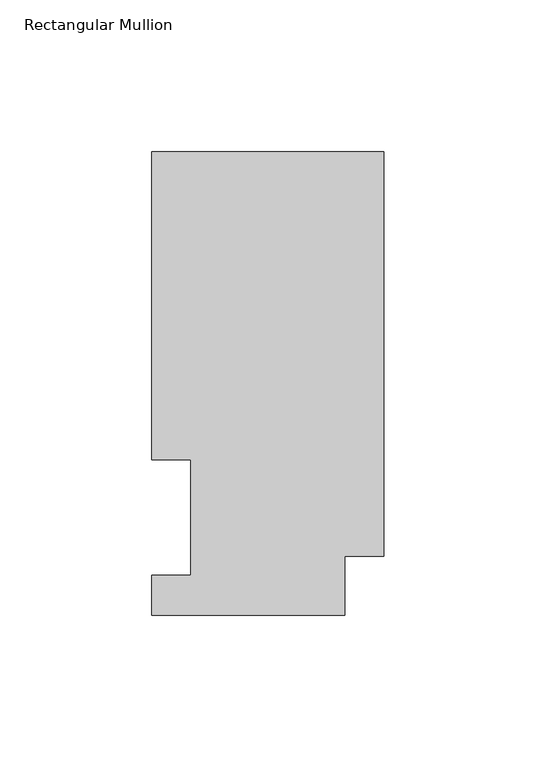
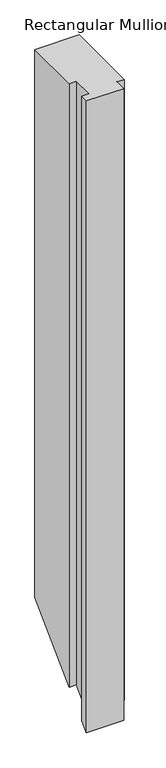
"""IFC4 building model written with IfcOpenShell, lengths in millimetres: member geometry, Rectangular Mullion."""

import ifcopenshell
import ifcopenshell.guid

model = None  # the IFC model being written
_history = None  # IfcOwnerHistory: only IFC2X3 demands one
_inside = {}  # id of a spatial element -> (the spatial element, [elements in it])
_under = {}  # id of a project, library or spatial element -> (it, [spatial elements below it])
_declared = {}  # id of a project -> (the project, [libraries it declares])
_typed = {}  # id of a type object -> (the type object, [elements of that type])
_made_of = {}  # id of a material, layer set ... -> (it, [elements and type objects made of it])


def new_model(schema):
    """Start an empty IFC model of exactly this schema.

    Asked for "IFC4X3", IfcOpenShell would pick the latest addendum, in which some entities
    have other attributes; the version numbers below select the first issue.
    IFC2X3 requires an IfcOwnerHistory on every rooted entity: one is made here for all.
    """
    global model, _history
    if schema == "IFC4X3":
        model = ifcopenshell.file(schema_version=(4, 3, 0, 0))
    else:
        model = ifcopenshell.file(schema=schema)
    _inside.clear()
    _under.clear()
    _declared.clear()
    _typed.clear()
    _made_of.clear()
    _history = None
    if model.schema == "IFC2X3":
        org = make("IfcOrganization", Name="unknown")
        user = make(
            "IfcPersonAndOrganization",
            ThePerson=make("IfcPerson", FamilyName="unknown"),
            TheOrganization=org,
        )
        app = make(
            "IfcApplication",
            ApplicationDeveloper=org,
            Version="unknown",
            ApplicationFullName="unknown",
            ApplicationIdentifier="unknown",
        )
        _history = make(
            "IfcOwnerHistory",
            OwningUser=user,
            OwningApplication=app,
            ChangeAction="ADDED",
            CreationDate=0,
        )
    return model


def make(cls, **values):
    """One entity of the class cls with the attributes given. An attribute that is None is left unset."""
    return model.create_entity(
        cls, **{name: value for name, value in values.items() if value is not None}
    )


def rooted(cls, **values):
    """An entity with a GlobalId (a new one), such as an element, a storey or a relation."""
    return make(cls, GlobalId=ifcopenshell.guid.new(), OwnerHistory=_history, **values)


def si_unit(unit_type, name, prefix=None):
    """IfcSIUnit, for example si_unit("LENGTHUNIT", "METRE", prefix="MILLI")."""
    return make("IfcSIUnit", UnitType=unit_type, Prefix=prefix, Name=name)


def assignment(units):
    """IfcUnitAssignment: the units of a project."""
    return None if units is None else make("IfcUnitAssignment", Units=units)


def point(xyz):
    """IfcCartesianPoint."""
    return None if xyz is None else make("IfcCartesianPoint", Coordinates=xyz)


def direction(xyz):
    """IfcDirection."""
    return None if xyz is None else make("IfcDirection", DirectionRatios=xyz)


def frame(location, z_axis=None, x_axis=None):
    """IfcAxis2Placement3D, a coordinate frame: its origin and axes. An axis left out is left unset."""
    return make(
        "IfcAxis2Placement3D",
        Location=point(location),
        Axis=direction(z_axis),
        RefDirection=direction(x_axis),
    )


def origin():
    """The frame at (0, 0, 0) with its axes left unset."""
    return frame((0.0, 0.0, 0.0))


def place(relative_to, where):
    """IfcLocalPlacement: puts the frame where relative to a parent placement (None: the world)."""
    return make(
        "IfcLocalPlacement", PlacementRelTo=relative_to, RelativePlacement=where
    )


def context(
    kind, dimensions, precision=None, world=None, true_north=None, identifier=None
):
    """IfcGeometricRepresentationContext, for example the 3D "Model" context."""
    return make(
        "IfcGeometricRepresentationContext",
        ContextIdentifier=identifier,
        ContextType=kind,
        CoordinateSpaceDimension=dimensions,
        Precision=precision,
        WorldCoordinateSystem=world,
        TrueNorth=true_north,
    )


def project(units=None, contexts=None):
    """IfcProject with its units and contexts."""
    return rooted(
        "IfcProject",
        Name="project",
        RepresentationContexts=contexts,
        UnitsInContext=assignment(units),
    )


def spatial(cls, under=None, at=None, **own):
    """A site, building, storey or space (cls), placed at a placement, below another one or the project."""
    s = rooted(cls, ObjectPlacement=at, **own)
    if under is not None:
        _under.setdefault(under.id(), (under, []))[1].append(s)
    return s


def faces_of(points, faces, orient=None, outer=None):
    """IfcFace entities. A face is a list of loops; a loop is a list of indices into points, from 0.

    orient and outer hold one flag for each loop. By default every Orientation is true, the
    first loop of a face is its IfcFaceOuterBound and the others are IfcFaceBound.
    """
    made = []
    for i, loops in enumerate(faces):
        bounds = []
        for j, loop in enumerate(loops):
            is_outer = j == 0 if outer is None else outer[i][j]
            bounds.append(
                make(
                    "IfcFaceOuterBound" if is_outer else "IfcFaceBound",
                    Bound=make("IfcPolyLoop", Polygon=[points[k] for k in loop]),
                    Orientation=True if orient is None else orient[i][j],
                )
            )
        made.append(make("IfcFace", Bounds=bounds))
    return made


def faceted_brep(points, faces, orient=None, outer=None, voids=None):
    """IfcFacetedBrep: a solid bounded by flat faces; with voids (closed shells), ...WithVoids."""
    shared = [point(p) for p in points]
    hull = make("IfcClosedShell", CfsFaces=faces_of(shared, faces, orient, outer))
    if voids is None:
        return make("IfcFacetedBrep", Outer=hull)
    return make(
        "IfcFacetedBrepWithVoids",
        Outer=hull,
        Voids=[
            make(cls, CfsFaces=faces_of(shared, fs, o, b)) for cls, fs, o, b in voids
        ],
    )


def shape(context_of_items, identifier, shape_type, items):
    """IfcShapeRepresentation: the items that make up one representation, for example the "Body"."""
    return make(
        "IfcShapeRepresentation",
        ContextOfItems=context_of_items,
        RepresentationIdentifier=identifier,
        RepresentationType=shape_type,
        Items=items,
    )


def source(mapping_origin, context_of_items, identifier, shape_type, items):
    """IfcRepresentationMap: a shape defined once, which mapped items show again and again."""
    return make(
        "IfcRepresentationMap",
        MappingOrigin=mapping_origin,
        MappedRepresentation=shape(context_of_items, identifier, shape_type, items),
    )


def transform(
    local_origin,
    x_axis=None,
    y_axis=None,
    z_axis=None,
    scale=None,
    scale2=None,
    scale3=None,
    uniform=True,
):
    """IfcCartesianTransformationOperator3D, or its non-uniform kind. x_axis, y_axis, z_axis: its Axis1, 2, 3."""
    if uniform:
        return make(
            "IfcCartesianTransformationOperator3D",
            Axis1=direction(x_axis),
            Axis2=direction(y_axis),
            LocalOrigin=point(local_origin),
            Scale=scale,
            Axis3=direction(z_axis),
        )
    return make(
        "IfcCartesianTransformationOperator3DnonUniform",
        Axis1=direction(x_axis),
        Axis2=direction(y_axis),
        LocalOrigin=point(local_origin),
        Scale=scale,
        Axis3=direction(z_axis),
        Scale2=scale2,
        Scale3=scale3,
    )


def mapped(mapping_source, mapping_target):
    """IfcMappedItem: shows the shape of a source again, moved by a transform."""
    return make(
        "IfcMappedItem", MappingSource=mapping_source, MappingTarget=mapping_target
    )


def made_of(thing, what):
    """Note that an element or type object is made of a material, layer set ...; save() writes the relation."""
    if what is not None:
        _made_of.setdefault(what.id(), (what, []))[1].append(thing)
    return thing


def element(
    cls,
    number,
    at=None,
    inside=None,
    cuts=None,
    type_object=None,
    material=None,
    context=None,
    identifier="Body",
    shape_type=None,
    held_by="IfcProductDefinitionShape",
    body=None,
    shapes=None,
    **own,
):
    """One element of the class cls, such as IfcWall. Its Tag is "e" and its number.

    at: its placement. inside: the storey or other place that contains it. cuts: it is an
    opening in that element (IfcRelVoidsElement). A single representation is given by context,
    identifier, shape_type and body (its items); several are given by shapes. held_by: the class
    of the entity that holds the representations. save() writes the other relations.
    """
    e = rooted(cls, Tag="e%d" % number, ObjectPlacement=at, **own)
    if body is not None:
        shapes = [shape(context, identifier, shape_type, body)]
    if shapes is not None:
        e.Representation = make(held_by, Representations=shapes)
    if inside is not None:
        _inside.setdefault(inside.id(), (inside, []))[1].append(e)
    if cuts is not None:
        rooted(
            "IfcRelVoidsElement", RelatingBuildingElement=cuts, RelatedOpeningElement=e
        )
    if type_object is not None:
        _typed.setdefault(type_object.id(), (type_object, []))[1].append(e)
    return made_of(e, material)


def aggregate(whole, parts):
    """IfcRelAggregates: a whole, such as a stair, and the parts it consists of."""
    return rooted("IfcRelAggregates", RelatingObject=whole, RelatedObjects=parts)


def save(model, path):
    """Write the relations noted so far, then the file.

    IfcRelAggregates (storeys below a building ...), IfcRelContainedInSpatialStructure (elements
    in a storey), IfcRelDefinesByType, IfcRelAssociatesMaterial and IfcRelDeclares: one each for
    every whole, place, type object, material and project.
    """
    for whole, parts in _under.values():
        aggregate(whole, parts)
    for where, things in _inside.values():
        rooted(
            "IfcRelContainedInSpatialStructure",
            RelatedElements=things,
            RelatingStructure=where,
        )
    for kind, things in _typed.values():
        rooted("IfcRelDefinesByType", RelatedObjects=things, RelatingType=kind)
    for what, things in _made_of.values():
        rooted("IfcRelAssociatesMaterial", RelatedObjects=things, RelatingMaterial=what)
    for by, libraries in _declared.values():
        rooted("IfcRelDeclares", RelatingContext=by, RelatedDefinitions=libraries)
    model.write(path)


def rectangular_mullion_5289d26e(model_context):
    return source(origin(), model_context, "Body", "Brep", [
        faceted_brep([(-76.2, 152.4896938, 0.0), (-76.2, 51.2960938, 0.0), (-63.5127, 51.2960938, 0.0), (-63.5127, 13.1960938, 0.0), (-76.2, 13.1960938, 0.0), (-76.2, 0.0134938, 0.0), (-12.7, 0.0134938, 0.0), (-12.7, 19.5460937, 0.0), (0.0, 19.5460937, 0.0), (0.0, 152.4896938, 0.0), (-76.2, 152.4896938, -990.51872), (-76.2, 51.2960938, -1091.71232), (-63.5127, 51.2960938, -1091.71232), (-63.5127, 13.1960938, -1129.81232), (-76.2, 13.1960938, -1129.81232), (-76.2, 0.0134938, -1142.99492), (-12.7, 0.0134938, -1142.99492), (-12.7, 19.5460937, -1123.46232), (0.0, 19.5460937, -1123.46232), (0.0, 152.4896938, -990.51872)], [[[0, 1, 2, 3, 4, 5, 6, 7, 8, 9]], [[1, 0, 10, 11]], [[2, 1, 11, 12]], [[3, 2, 12, 13]], [[4, 3, 13, 14]], [[5, 4, 14, 15]], [[6, 5, 15, 16]], [[7, 6, 16, 17]], [[8, 7, 17, 18]], [[9, 8, 18, 19]], [[0, 9, 19, 10]], [[10, 19, 18, 17, 16, 15, 14, 13, 12, 11]]]),
    ])


if __name__ == "__main__":
    model = new_model("IFC4")
    model_context = context("Model", 3, world=origin())
    ifc_project = project(units=[si_unit("LENGTHUNIT", "METRE", prefix="MILLI")], contexts=[model_context])
    site = spatial("IfcSite", under=ifc_project)
    building = spatial("IfcBuilding", under=site)
    placement = place(None, origin())
    rectangular_mullion_shape = rectangular_mullion_5289d26e(model_context)
    element("IfcMember", 1, ObjectType="Rectangular Mullion", at=placement, inside=building, context=model_context, shape_type="MappedRepresentation", body=[
        mapped(rectangular_mullion_shape, transform((0.0, 0.0, 0.0), x_axis=(1.0, 0.0, 0.0), y_axis=(0.0, 1.0, 0.0), z_axis=(0.0, 0.0, 1.0))),
    ])
    save(model, "model.ifc")
